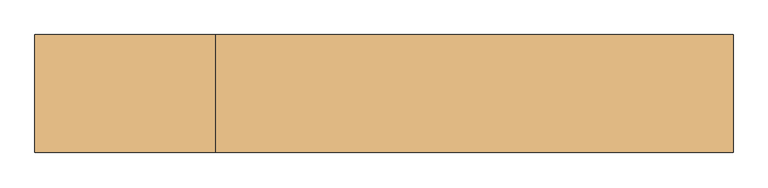
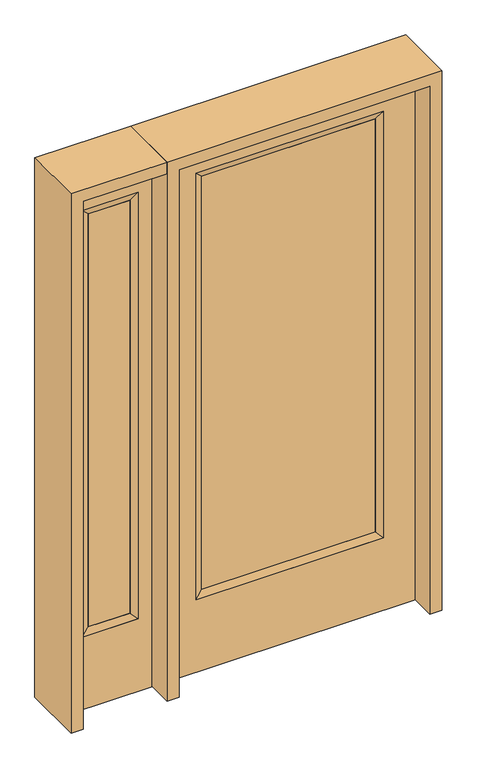
"""IFC4 building model written with IfcOpenShell, lengths in millimetres: door geometry."""

from ifc_helpers import new_model, si_unit, frame, origin, place, context, project, spatial, polyline, outline, extrude, faceted_brep, source, transform, mapped, element, save


def door_74944dd3(model_context):
    return source(origin(), model_context, "Body", "SolidModel", [
        extrude(outline(polyline([(316.3824, -12.7039749), (-316.3824, -12.7039749), (-316.3824, 14.2875), (316.3824, 14.2875), (316.3824, -12.7039749)])), frame((0.0, 0.0, 304.8), z_axis=(0.0, 0.0, 1.0), x_axis=(1.0, 0.0, 0.0)), (0.0, 0.0, 1.0), 1590.675),
        faceted_brep([(316.3824, 14.2875, 1895.475), (341.7824, 22.225, 1920.875), (341.7824, 22.225, 279.4), (316.3824, 14.2875, 304.8), (341.7824, -22.225, 1920.875), (341.7824, -22.225, 279.4), (-341.7824, 22.225, 279.4), (-316.3824, 14.2875, 304.8), (316.3824, -12.7039749, 1895.475), (316.3824, -12.7039749, 304.8), (-316.3824, -12.7039749, 304.8), (-341.7824, -22.225, 279.4), (-341.7824, 22.225, 1920.875), (-316.3824, 14.2875, 1895.475), (-316.3824, -12.7039749, 1895.475), (-341.7824, -22.225, 1920.875)], [[[0, 1, 2, 3]], [[1, 4, 5, 2]], [[3, 2, 6, 7]], [[8, 0, 3, 9]], [[9, 3, 7, 10]], [[4, 8, 9, 5]], [[5, 9, 10, 11]], [[2, 5, 11, 6]], [[7, 6, 12, 13]], [[10, 7, 13, 14]], [[11, 10, 14, 15]], [[6, 11, 15, 12]], [[13, 12, 1, 0]], [[14, 13, 0, 8]], [[15, 14, 8, 4]], [[12, 15, 4, 1]]]),
        extrude(outline(polyline([(0.0, -457.2), (0.0, 457.2), (2032.0, 457.2), (2032.0, -457.2), (0.0, -457.2)]), holes=[polyline([(279.4, -341.7824), (1920.875, -341.7824), (1920.875, 341.7824), (279.4, 341.7824), (279.4, -341.7824)])]), frame((0.0, -22.225, 0.0), z_axis=(0.0, 1.0, 0.0), x_axis=(0.0, 0.0, 1.0)), (0.0, 0.0, 1.0), 44.45),
        faceted_brep([(-552.45, 20.6375, 1920.875), (-552.45, -20.6375, 1920.875), (-552.45, -20.6375, 279.4), (-552.45, 20.6375, 279.4), (-577.85, -12.7, 1895.475), (-577.85, -12.7, 304.8), (-755.65, -20.6375, 279.4), (-755.65, 20.6375, 279.4), (-577.85, 12.7, 1895.475), (-577.85, 12.7, 304.8), (-730.25, 12.7, 304.8), (-730.25, -12.7, 304.8), (-755.65, -20.6375, 1920.875), (-755.65, 20.6375, 1920.875), (-730.25, 12.7, 1895.475), (-730.25, -12.7, 1895.475)], [[[0, 1, 2, 3]], [[1, 4, 5, 2]], [[3, 2, 6, 7]], [[8, 0, 3, 9]], [[9, 3, 7, 10]], [[4, 8, 9, 5]], [[5, 9, 10, 11]], [[2, 5, 11, 6]], [[7, 6, 12, 13]], [[10, 7, 13, 14]], [[11, 10, 14, 15]], [[6, 11, 15, 12]], [[13, 12, 1, 0]], [[14, 13, 0, 8]], [[15, 14, 8, 4]], [[12, 15, 4, 1]]]),
        extrude(outline(polyline([(0.0, -806.45), (0.0, -501.65), (2032.0, -501.65), (2032.0, -806.45), (0.0, -806.45)]), holes=[polyline([(1920.875, -552.45), (279.4, -552.45), (279.4, -755.65), (1920.875, -755.65), (1920.875, -552.45)])]), frame((0.0, -20.6375, 0.0), z_axis=(0.0, 1.0, 0.0), x_axis=(0.0, 0.0, 1.0)), (0.0, 0.0, 1.0), 41.275),
        extrude(outline(polyline([(-577.85, -12.7), (-730.25, -12.7), (-730.25, 12.7), (-577.85, 12.7), (-577.85, -12.7)])), frame((0.0, 0.0, 304.8), z_axis=(0.0, 0.0, 1.0), x_axis=(1.0, 0.0, 0.0)), (0.0, 0.0, 1.0), 1590.675),
        extrude(outline(polyline([(2032.0, -501.65), (2076.45, -501.65), (2076.45, -850.9), (0.0, -850.9), (0.0, -806.45), (2032.0, -806.45), (2032.0, -501.65)])), frame((0.0, -114.3, 0.0), z_axis=(0.0, 1.0, 0.0), x_axis=(0.0, 0.0, 1.0)), (0.0, 0.0, 1.0), 228.6),
        extrude(outline(polyline([(2076.45, -501.65), (0.0, -501.65), (0.0, -457.2), (2032.0, -457.2), (2032.0, 457.2), (0.0, 457.2), (0.0, 501.65), (2076.45, 501.65), (2076.45, -501.65)])), frame((0.0, -114.3, 0.0), z_axis=(0.0, 1.0, 0.0), x_axis=(0.0, 0.0, 1.0)), (0.0, 0.0, 1.0), 228.6),
    ])


if __name__ == "__main__":
    model = new_model("IFC4")
    model_context = context("Model", 3, world=origin())
    ifc_project = project(units=[si_unit("LENGTHUNIT", "METRE", prefix="MILLI")], contexts=[model_context])
    site = spatial("IfcSite", under=ifc_project)
    building = spatial("IfcBuilding", under=site)
    placement = place(None, origin())
    door_shape = door_74944dd3(model_context)
    element("IfcDoor", 1, at=placement, inside=building, context=model_context, shape_type="MappedRepresentation", body=[
        mapped(door_shape, transform((0.0, 0.0, 0.0), x_axis=(1.0, 0.0, 0.0), y_axis=(0.0, 1.0, 0.0), z_axis=(0.0, 0.0, 1.0))),
    ])
    save(model, "model.ifc")
